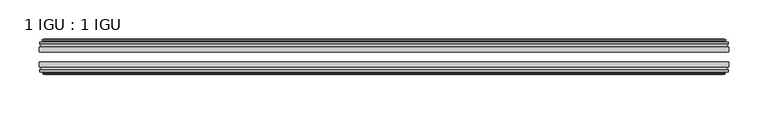
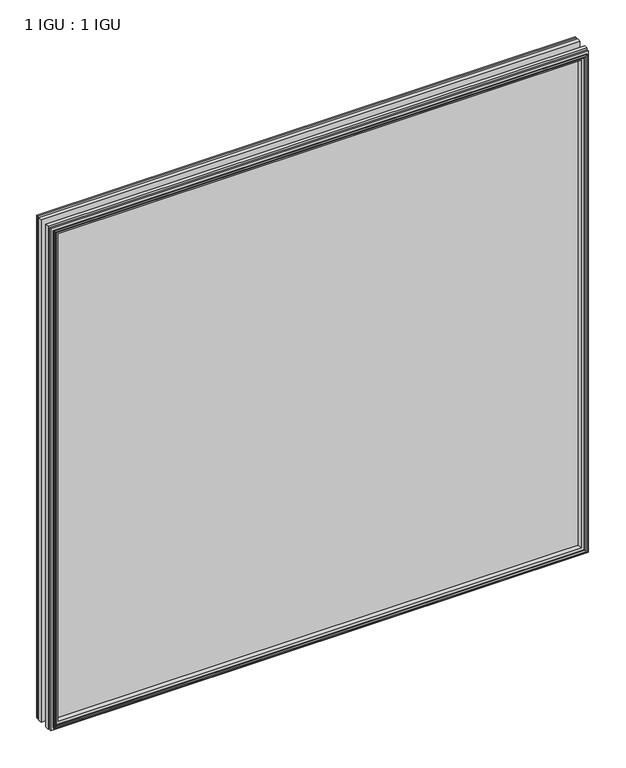
"""IFC4 building model written with IfcOpenShell, lengths in millimetres: plate geometry, 1 IGU : 1 IGU."""

import ifcopenshell
import ifcopenshell.guid

model = None  # the IFC model being written
_history = None  # IfcOwnerHistory: only IFC2X3 demands one
_inside = {}  # id of a spatial element -> (the spatial element, [elements in it])
_under = {}  # id of a project, library or spatial element -> (it, [spatial elements below it])
_declared = {}  # id of a project -> (the project, [libraries it declares])
_typed = {}  # id of a type object -> (the type object, [elements of that type])
_made_of = {}  # id of a material, layer set ... -> (it, [elements and type objects made of it])


def new_model(schema):
    """Start an empty IFC model of exactly this schema.

    Asked for "IFC4X3", IfcOpenShell would pick the latest addendum, in which some entities
    have other attributes; the version numbers below select the first issue.
    IFC2X3 requires an IfcOwnerHistory on every rooted entity: one is made here for all.
    """
    global model, _history
    if schema == "IFC4X3":
        model = ifcopenshell.file(schema_version=(4, 3, 0, 0))
    else:
        model = ifcopenshell.file(schema=schema)
    _inside.clear()
    _under.clear()
    _declared.clear()
    _typed.clear()
    _made_of.clear()
    _history = None
    if model.schema == "IFC2X3":
        org = make("IfcOrganization", Name="unknown")
        user = make(
            "IfcPersonAndOrganization",
            ThePerson=make("IfcPerson", FamilyName="unknown"),
            TheOrganization=org,
        )
        app = make(
            "IfcApplication",
            ApplicationDeveloper=org,
            Version="unknown",
            ApplicationFullName="unknown",
            ApplicationIdentifier="unknown",
        )
        _history = make(
            "IfcOwnerHistory",
            OwningUser=user,
            OwningApplication=app,
            ChangeAction="ADDED",
            CreationDate=0,
        )
    return model


def make(cls, **values):
    """One entity of the class cls with the attributes given. An attribute that is None is left unset."""
    return model.create_entity(
        cls, **{name: value for name, value in values.items() if value is not None}
    )


def rooted(cls, **values):
    """An entity with a GlobalId (a new one), such as an element, a storey or a relation."""
    return make(cls, GlobalId=ifcopenshell.guid.new(), OwnerHistory=_history, **values)


def si_unit(unit_type, name, prefix=None):
    """IfcSIUnit, for example si_unit("LENGTHUNIT", "METRE", prefix="MILLI")."""
    return make("IfcSIUnit", UnitType=unit_type, Prefix=prefix, Name=name)


def assignment(units):
    """IfcUnitAssignment: the units of a project."""
    return None if units is None else make("IfcUnitAssignment", Units=units)


def point(xyz):
    """IfcCartesianPoint."""
    return None if xyz is None else make("IfcCartesianPoint", Coordinates=xyz)


def direction(xyz):
    """IfcDirection."""
    return None if xyz is None else make("IfcDirection", DirectionRatios=xyz)


def frame(location, z_axis=None, x_axis=None):
    """IfcAxis2Placement3D, a coordinate frame: its origin and axes. An axis left out is left unset."""
    return make(
        "IfcAxis2Placement3D",
        Location=point(location),
        Axis=direction(z_axis),
        RefDirection=direction(x_axis),
    )


def origin():
    """The frame at (0, 0, 0) with its axes left unset."""
    return frame((0.0, 0.0, 0.0))


def place(relative_to, where):
    """IfcLocalPlacement: puts the frame where relative to a parent placement (None: the world)."""
    return make(
        "IfcLocalPlacement", PlacementRelTo=relative_to, RelativePlacement=where
    )


def context(
    kind, dimensions, precision=None, world=None, true_north=None, identifier=None
):
    """IfcGeometricRepresentationContext, for example the 3D "Model" context."""
    return make(
        "IfcGeometricRepresentationContext",
        ContextIdentifier=identifier,
        ContextType=kind,
        CoordinateSpaceDimension=dimensions,
        Precision=precision,
        WorldCoordinateSystem=world,
        TrueNorth=true_north,
    )


def project(units=None, contexts=None):
    """IfcProject with its units and contexts."""
    return rooted(
        "IfcProject",
        Name="project",
        RepresentationContexts=contexts,
        UnitsInContext=assignment(units),
    )


def spatial(cls, under=None, at=None, **own):
    """A site, building, storey or space (cls), placed at a placement, below another one or the project."""
    s = rooted(cls, ObjectPlacement=at, **own)
    if under is not None:
        _under.setdefault(under.id(), (under, []))[1].append(s)
    return s


def polyline(points):
    """IfcPolyline through the points."""
    return make("IfcPolyline", Points=[point(p) for p in points])


def outline(outer, holes=None, kind="AREA"):
    """IfcArbitraryClosedProfileDef: a profile drawn as a closed curve; with holes, ...WithVoids."""
    if holes is None:
        return make("IfcArbitraryClosedProfileDef", ProfileType=kind, OuterCurve=outer)
    return make(
        "IfcArbitraryProfileDefWithVoids",
        ProfileType=kind,
        OuterCurve=outer,
        InnerCurves=holes,
    )


def extrude(swept, where, along, depth):
    """IfcExtrudedAreaSolid: the profile swept, set in the frame where, extruded along a direction by depth."""
    return make(
        "IfcExtrudedAreaSolid",
        SweptArea=swept,
        Position=where,
        ExtrudedDirection=direction(along),
        Depth=depth,
    )


def faces_of(points, faces, orient=None, outer=None):
    """IfcFace entities. A face is a list of loops; a loop is a list of indices into points, from 0.

    orient and outer hold one flag for each loop. By default every Orientation is true, the
    first loop of a face is its IfcFaceOuterBound and the others are IfcFaceBound.
    """
    made = []
    for i, loops in enumerate(faces):
        bounds = []
        for j, loop in enumerate(loops):
            is_outer = j == 0 if outer is None else outer[i][j]
            bounds.append(
                make(
                    "IfcFaceOuterBound" if is_outer else "IfcFaceBound",
                    Bound=make("IfcPolyLoop", Polygon=[points[k] for k in loop]),
                    Orientation=True if orient is None else orient[i][j],
                )
            )
        made.append(make("IfcFace", Bounds=bounds))
    return made


def faceted_brep(points, faces, orient=None, outer=None, voids=None):
    """IfcFacetedBrep: a solid bounded by flat faces; with voids (closed shells), ...WithVoids."""
    shared = [point(p) for p in points]
    hull = make("IfcClosedShell", CfsFaces=faces_of(shared, faces, orient, outer))
    if voids is None:
        return make("IfcFacetedBrep", Outer=hull)
    return make(
        "IfcFacetedBrepWithVoids",
        Outer=hull,
        Voids=[
            make(cls, CfsFaces=faces_of(shared, fs, o, b)) for cls, fs, o, b in voids
        ],
    )


def shape(context_of_items, identifier, shape_type, items):
    """IfcShapeRepresentation: the items that make up one representation, for example the "Body"."""
    return make(
        "IfcShapeRepresentation",
        ContextOfItems=context_of_items,
        RepresentationIdentifier=identifier,
        RepresentationType=shape_type,
        Items=items,
    )


def source(mapping_origin, context_of_items, identifier, shape_type, items):
    """IfcRepresentationMap: a shape defined once, which mapped items show again and again."""
    return make(
        "IfcRepresentationMap",
        MappingOrigin=mapping_origin,
        MappedRepresentation=shape(context_of_items, identifier, shape_type, items),
    )


def transform(
    local_origin,
    x_axis=None,
    y_axis=None,
    z_axis=None,
    scale=None,
    scale2=None,
    scale3=None,
    uniform=True,
):
    """IfcCartesianTransformationOperator3D, or its non-uniform kind. x_axis, y_axis, z_axis: its Axis1, 2, 3."""
    if uniform:
        return make(
            "IfcCartesianTransformationOperator3D",
            Axis1=direction(x_axis),
            Axis2=direction(y_axis),
            LocalOrigin=point(local_origin),
            Scale=scale,
            Axis3=direction(z_axis),
        )
    return make(
        "IfcCartesianTransformationOperator3DnonUniform",
        Axis1=direction(x_axis),
        Axis2=direction(y_axis),
        LocalOrigin=point(local_origin),
        Scale=scale,
        Axis3=direction(z_axis),
        Scale2=scale2,
        Scale3=scale3,
    )


def mapped(mapping_source, mapping_target):
    """IfcMappedItem: shows the shape of a source again, moved by a transform."""
    return make(
        "IfcMappedItem", MappingSource=mapping_source, MappingTarget=mapping_target
    )


def made_of(thing, what):
    """Note that an element or type object is made of a material, layer set ...; save() writes the relation."""
    if what is not None:
        _made_of.setdefault(what.id(), (what, []))[1].append(thing)
    return thing


def element(
    cls,
    number,
    at=None,
    inside=None,
    cuts=None,
    type_object=None,
    material=None,
    context=None,
    identifier="Body",
    shape_type=None,
    held_by="IfcProductDefinitionShape",
    body=None,
    shapes=None,
    **own,
):
    """One element of the class cls, such as IfcWall. Its Tag is "e" and its number.

    at: its placement. inside: the storey or other place that contains it. cuts: it is an
    opening in that element (IfcRelVoidsElement). A single representation is given by context,
    identifier, shape_type and body (its items); several are given by shapes. held_by: the class
    of the entity that holds the representations. save() writes the other relations.
    """
    e = rooted(cls, Tag="e%d" % number, ObjectPlacement=at, **own)
    if body is not None:
        shapes = [shape(context, identifier, shape_type, body)]
    if shapes is not None:
        e.Representation = make(held_by, Representations=shapes)
    if inside is not None:
        _inside.setdefault(inside.id(), (inside, []))[1].append(e)
    if cuts is not None:
        rooted(
            "IfcRelVoidsElement", RelatingBuildingElement=cuts, RelatedOpeningElement=e
        )
    if type_object is not None:
        _typed.setdefault(type_object.id(), (type_object, []))[1].append(e)
    return made_of(e, material)


def aggregate(whole, parts):
    """IfcRelAggregates: a whole, such as a stair, and the parts it consists of."""
    return rooted("IfcRelAggregates", RelatingObject=whole, RelatedObjects=parts)


def save(model, path):
    """Write the relations noted so far, then the file.

    IfcRelAggregates (storeys below a building ...), IfcRelContainedInSpatialStructure (elements
    in a storey), IfcRelDefinesByType, IfcRelAssociatesMaterial and IfcRelDeclares: one each for
    every whole, place, type object, material and project.
    """
    for whole, parts in _under.values():
        aggregate(whole, parts)
    for where, things in _inside.values():
        rooted(
            "IfcRelContainedInSpatialStructure",
            RelatedElements=things,
            RelatingStructure=where,
        )
    for kind, things in _typed.values():
        rooted("IfcRelDefinesByType", RelatedObjects=things, RelatingType=kind)
    for what, things in _made_of.values():
        rooted("IfcRelAssociatesMaterial", RelatedObjects=things, RelatingMaterial=what)
    for by, libraries in _declared.values():
        rooted("IfcRelDeclares", RelatingContext=by, RelatedDefinitions=libraries)
    model.write(path)


def plate_1_igu_1_igu_65e02157(model_context):
    return source(origin(), model_context, "Body", "SolidModel", [
        extrude(outline(polyline([(438.15, -19.5460937), (438.15, -25.8960938), (-438.15, -25.8960938), (-438.15, -19.5460937), (438.15, -19.5460937)])), frame((0.0, 0.0, -12.7), z_axis=(0.0, 0.0, 1.0), x_axis=(1.0, 0.0, 0.0)), (0.0, 0.0, 1.0), 863.6),
        extrude(outline(polyline([(-438.15, -44.9460938), (-438.15, -38.9186737), (438.15, -38.9186737), (438.15, -44.9460938), (-438.15, -44.9460938)])), frame((0.0, 0.0, -12.7), z_axis=(0.0, 0.0, 1.0), x_axis=(1.0, 0.0, 0.0)), (0.0, 0.0, 1.0), 863.6),
        faceted_brep([(-432.562, -53.6762907, 845.312), (-432.943, -51.2960937, 845.693), (-432.943, -51.2960937, -7.493), (-432.562, -53.6762907, -7.112), (-433.9775291, -53.2163575, 846.7275291), (-433.9775291, -53.2163575, -8.5275291), (-433.9775291, -54.0175717, 846.7275291), (-433.9775291, -54.0175717, -8.5275291), (-431.8, -54.7250937, 844.55), (-431.8, -54.7250937, -6.35), (-429.6224709, -54.0175717, 842.3724709), (-429.6224709, -54.0175717, -4.1724709), (-429.6224709, -53.2163575, 842.3724709), (-429.6224709, -53.2163575, -4.1724709), (-431.038, -53.6762907, 843.788), (-431.038, -53.6762907, -5.588), (-430.657, -51.2960937, 843.407), (-430.657, -51.2960937, -5.207), (-423.7322819, -44.9460937, 836.4822819), (-425.45, -51.2960937, 838.2), (-425.45, -51.2960937, 0.0), (-423.7322819, -44.9460937, 1.7177181), (-437.388, -48.3496937, 850.138), (-434.5536578, -44.9460937, 847.3036578), (-434.5536578, -44.9460937, -9.1036578), (-437.388, -48.3496937, -11.938), (-437.388, -51.2960937, 850.138), (-437.388, -51.2960937, -11.938), (432.943, -51.2960938, -7.493), (432.562, -53.6762907, -7.112), (433.9775291, -53.2163575, -8.5275291), (433.9775291, -54.0175717, -8.5275291), (431.8, -54.7250937, -6.35), (429.6224709, -54.0175717, -4.1724709), (429.6224709, -53.2163575, -4.1724709), (431.038, -53.6762907, -5.588), (430.657, -51.2960937, -5.207), (425.45, -51.2960937, 0.0), (423.7322819, -44.9460937, 1.7177181), (434.5536578, -44.9460937, -9.1036578), (437.388, -48.3496937, -11.938), (437.388, -51.2960938, -11.938), (432.943, -51.2960938, 845.693), (432.562, -53.6762907, 845.312), (433.9775291, -53.2163575, 846.7275291), (433.9775291, -54.0175717, 846.7275291), (431.8, -54.7250937, 844.55), (429.6224709, -54.0175717, 842.3724709), (429.6224709, -53.2163575, 842.3724709), (431.038, -53.6762907, 843.788), (430.657, -51.2960937, 843.407), (425.45, -51.2960937, 838.2), (423.7322819, -44.9460937, 836.4822819), (434.5536578, -44.9460937, 847.3036578), (437.388, -48.3496937, 850.138), (437.388, -51.2960938, 850.138)], [[[0, 1, 2, 3]], [[4, 0, 3, 5]], [[6, 4, 5, 7]], [[8, 6, 7, 9]], [[10, 8, 9, 11]], [[12, 10, 11, 13]], [[14, 12, 13, 15]], [[16, 14, 15, 17]], [[18, 19, 20, 21]], [[22, 23, 24, 25]], [[26, 22, 25, 27]], [[3, 2, 28, 29]], [[5, 3, 29, 30]], [[7, 5, 30, 31]], [[9, 7, 31, 32]], [[11, 9, 32, 33]], [[13, 11, 33, 34]], [[15, 13, 34, 35]], [[17, 15, 35, 36]], [[21, 20, 37, 38]], [[25, 24, 39, 40]], [[27, 25, 40, 41]], [[29, 28, 42, 43]], [[30, 29, 43, 44]], [[31, 30, 44, 45]], [[32, 31, 45, 46]], [[33, 32, 46, 47]], [[34, 33, 47, 48]], [[35, 34, 48, 49]], [[36, 35, 49, 50]], [[38, 37, 51, 52]], [[40, 39, 53, 54]], [[41, 40, 54, 55]], [[27, 41, 55, 26], [1, 42, 28, 2]], [[43, 42, 1, 0]], [[44, 43, 0, 4]], [[45, 44, 4, 6]], [[46, 45, 6, 8]], [[47, 46, 8, 10]], [[48, 47, 10, 12]], [[49, 48, 12, 14]], [[50, 49, 14, 16]], [[17, 36, 50, 16], [19, 51, 37, 20]], [[52, 51, 19, 18]], [[23, 53, 39, 24], [21, 38, 52, 18]], [[54, 53, 23, 22]], [[55, 54, 22, 26]]]),
        faceted_brep([(-435.0743578, -19.5460937, 847.8243578), (-437.9087, -16.1424937, 850.6587), (-437.9087, -16.1424937, -12.4587), (-435.0743578, -19.5460937, -9.6243578), (-425.9707, -13.1960937, 838.7207), (-424.2529819, -19.5460937, 837.0029819), (-424.2529819, -19.5460937, 1.1970181), (-425.9707, -13.1960937, -0.5207), (-431.5587, -10.8158968, 844.3087), (-431.1777, -13.1960937, 843.9277), (-431.1777, -13.1960937, -5.7277), (-431.5587, -10.8158968, -6.1087), (-430.1431709, -11.27583, 842.8931709), (-430.1431709, -11.27583, -4.6931709), (-430.1431709, -10.4746158, 842.8931709), (-430.1431709, -10.4746158, -4.6931709), (-432.3207, -9.7670937, 845.0707), (-432.3207, -9.7670937, -6.8707), (-434.4982291, -10.4746158, 847.2482291), (-434.4982291, -10.4746158, -9.0482291), (-434.4982291, -11.27583, 847.2482291), (-434.4982291, -11.27583, -9.0482291), (-433.0827, -10.8158968, 845.8327), (-433.0827, -10.8158968, -7.6327), (-433.4637, -13.1960937, 846.2137), (-433.4637, -13.1960937, -8.0137), (-437.9087, -13.1960937, 850.6587), (-437.9087, -13.1960937, -12.4587), (437.9087, -16.1424937, -12.4587), (435.0743578, -19.5460937, -9.6243578), (424.2529819, -19.5460937, 1.1970181), (425.9707, -13.1960937, -0.5207), (431.1777, -13.1960937, -5.7277), (431.5587, -10.8158968, -6.1087), (430.1431709, -11.27583, -4.6931709), (430.1431709, -10.4746158, -4.6931709), (432.3207, -9.7670937, -6.8707), (434.4982291, -10.4746158, -9.0482291), (434.4982291, -11.27583, -9.0482291), (433.0827, -10.8158968, -7.6327), (433.4637, -13.1960937, -8.0137), (437.9087, -13.1960937, -12.4587), (437.9087, -16.1424937, 850.6587), (435.0743578, -19.5460937, 847.8243578), (424.2529819, -19.5460937, 837.0029819), (425.9707, -13.1960937, 838.7207), (431.1777, -13.1960937, 843.9277), (431.5587, -10.8158968, 844.3087), (430.1431709, -11.27583, 842.8931709), (430.1431709, -10.4746158, 842.8931709), (432.3207, -9.7670937, 845.0707), (434.4982291, -10.4746158, 847.2482291), (434.4982291, -11.27583, 847.2482291), (433.0827, -10.8158968, 845.8327), (433.4637, -13.1960937, 846.2137), (437.9087, -13.1960937, 850.6587)], [[[0, 1, 2, 3]], [[4, 5, 6, 7]], [[8, 9, 10, 11]], [[12, 8, 11, 13]], [[14, 12, 13, 15]], [[16, 14, 15, 17]], [[18, 16, 17, 19]], [[20, 18, 19, 21]], [[22, 20, 21, 23]], [[24, 22, 23, 25]], [[1, 26, 27, 2]], [[3, 2, 28, 29]], [[7, 6, 30, 31]], [[11, 10, 32, 33]], [[13, 11, 33, 34]], [[15, 13, 34, 35]], [[17, 15, 35, 36]], [[19, 17, 36, 37]], [[21, 19, 37, 38]], [[23, 21, 38, 39]], [[25, 23, 39, 40]], [[2, 27, 41, 28]], [[29, 28, 42, 43]], [[31, 30, 44, 45]], [[33, 32, 46, 47]], [[34, 33, 47, 48]], [[35, 34, 48, 49]], [[36, 35, 49, 50]], [[37, 36, 50, 51]], [[38, 37, 51, 52]], [[39, 38, 52, 53]], [[40, 39, 53, 54]], [[28, 41, 55, 42]], [[43, 42, 1, 0]], [[3, 29, 43, 0], [5, 44, 30, 6]], [[45, 44, 5, 4]], [[9, 46, 32, 10], [7, 31, 45, 4]], [[47, 46, 9, 8]], [[48, 47, 8, 12]], [[49, 48, 12, 14]], [[50, 49, 14, 16]], [[51, 50, 16, 18]], [[52, 51, 18, 20]], [[53, 52, 20, 22]], [[54, 53, 22, 24]], [[26, 55, 41, 27], [25, 40, 54, 24]], [[42, 55, 26, 1]]]),
    ])


if __name__ == "__main__":
    model = new_model("IFC4")
    model_context = context("Model", 3, world=origin())
    ifc_project = project(units=[si_unit("LENGTHUNIT", "METRE", prefix="MILLI")], contexts=[model_context])
    site = spatial("IfcSite", under=ifc_project)
    building = spatial("IfcBuilding", under=site)
    placement = place(None, origin())
    plate_1_igu_1_igu_shape = plate_1_igu_1_igu_65e02157(model_context)
    element("IfcPlate", 1, ObjectType="1 IGU : 1 IGU", at=placement, inside=building, context=model_context, shape_type="MappedRepresentation", body=[
        mapped(plate_1_igu_1_igu_shape, transform((0.0, 0.0, 0.0), x_axis=(1.0, 0.0, 0.0), y_axis=(0.0, 1.0, 0.0), z_axis=(0.0, 0.0, 1.0))),
    ])
    save(model, "model.ifc")
